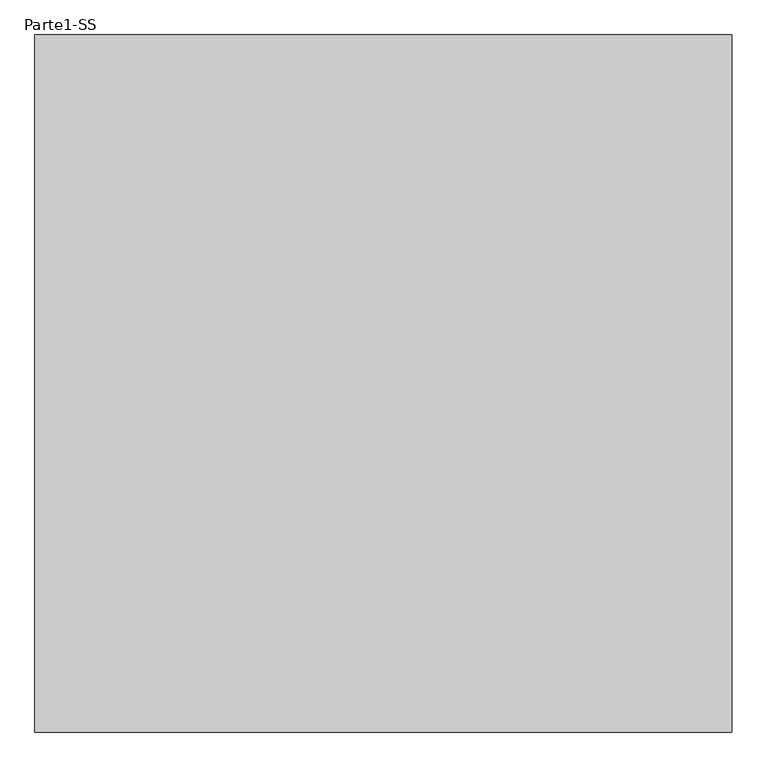
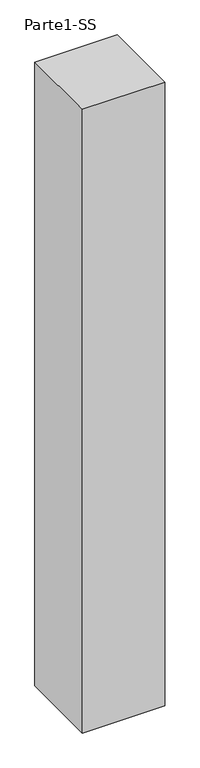
"""IFC4 building model written with IfcOpenShell, lengths in millimetres: proxy geometry, Parte1-SS."""

from ifc_helpers import new_model, si_unit, frame, origin, place, context, project, spatial, polyline, outline, extrude, source, transform, mapped, element, save


def parte1_ss_6ac5af0d(model_context):
    return source(origin(), model_context, "Body", "SweptSolid", [
        extrude(outline(polyline([(10000.0, 10000.0), (10000.0, 0.0), (0.0, 0.0), (0.0, 10000.0), (10000.0, 10000.0)])), frame((0.0, 0.0, 5000.0), z_axis=(0.0, 0.0, 1.0), x_axis=(1.0, 0.0, 0.0)), (0.0, 0.0, 1.0), 80000.0),
    ])


if __name__ == "__main__":
    model = new_model("IFC4")
    model_context = context("Model", 3, world=origin())
    ifc_project = project(units=[si_unit("LENGTHUNIT", "METRE", prefix="MILLI")], contexts=[model_context])
    site = spatial("IfcSite", under=ifc_project)
    building = spatial("IfcBuilding", under=site)
    placement = place(None, origin())
    parte1_ss_shape = parte1_ss_6ac5af0d(model_context)
    element("IfcBuildingElementProxy", 1, Name="Parte1-SS", ObjectType="Parte1-SS", at=placement, inside=building, context=model_context, shape_type="MappedRepresentation", body=[
        mapped(parte1_ss_shape, transform((0.0, 0.0, 0.0), x_axis=(1.0, 0.0, 0.0), y_axis=(0.0, 1.0, 0.0), z_axis=(0.0, 0.0, 1.0))),
    ])
    save(model, "model.ifc")
